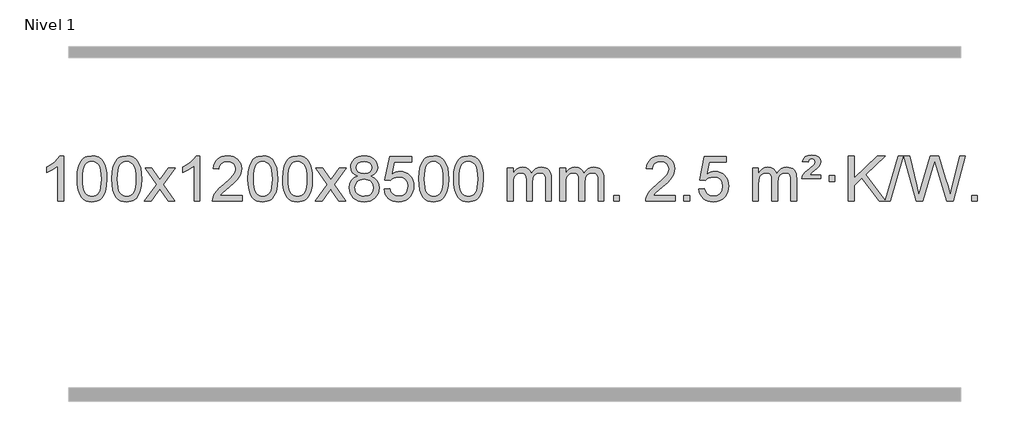
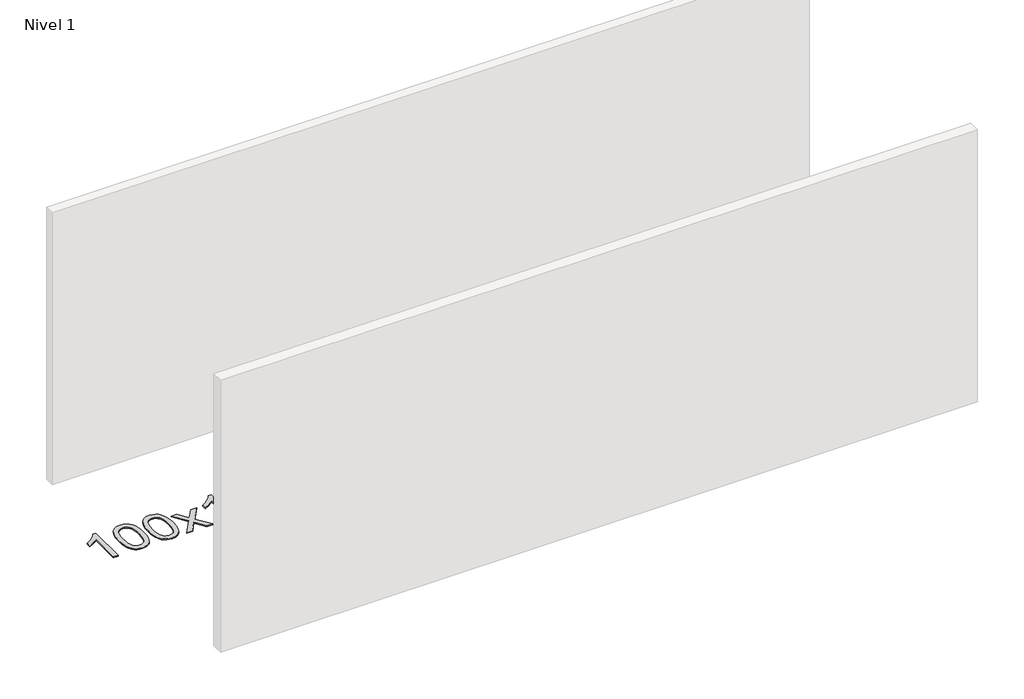
# One storey, part 12 of 14: 1 proxy.
"""IFC4 building model written with IfcOpenShell, lengths in millimetres."""

import ifcopenshell
import ifcopenshell.guid

model = None  # the IFC model being written
_history = None  # IfcOwnerHistory: only IFC2X3 demands one
_inside = {}  # id of a spatial element -> (the spatial element, [elements in it])
_under = {}  # id of a project, library or spatial element -> (it, [spatial elements below it])
_declared = {}  # id of a project -> (the project, [libraries it declares])
_typed = {}  # id of a type object -> (the type object, [elements of that type])
_made_of = {}  # id of a material, layer set ... -> (it, [elements and type objects made of it])


def new_model(schema):
    """Start an empty IFC model of exactly this schema.

    Asked for "IFC4X3", IfcOpenShell would pick the latest addendum, in which some entities
    have other attributes; the version numbers below select the first issue.
    IFC2X3 requires an IfcOwnerHistory on every rooted entity: one is made here for all.
    """
    global model, _history
    if schema == "IFC4X3":
        model = ifcopenshell.file(schema_version=(4, 3, 0, 0))
    else:
        model = ifcopenshell.file(schema=schema)
    _inside.clear()
    _under.clear()
    _declared.clear()
    _typed.clear()
    _made_of.clear()
    _history = None
    if model.schema == "IFC2X3":
        org = make("IfcOrganization", Name="unknown")
        user = make(
            "IfcPersonAndOrganization",
            ThePerson=make("IfcPerson", FamilyName="unknown"),
            TheOrganization=org,
        )
        app = make(
            "IfcApplication",
            ApplicationDeveloper=org,
            Version="unknown",
            ApplicationFullName="unknown",
            ApplicationIdentifier="unknown",
        )
        _history = make(
            "IfcOwnerHistory",
            OwningUser=user,
            OwningApplication=app,
            ChangeAction="ADDED",
            CreationDate=0,
        )
    return model


def make(cls, **values):
    """One entity of the class cls with the attributes given. An attribute that is None is left unset."""
    return model.create_entity(
        cls, **{name: value for name, value in values.items() if value is not None}
    )


def rooted(cls, **values):
    """An entity with a GlobalId (a new one), such as an element, a storey or a relation."""
    return make(cls, GlobalId=ifcopenshell.guid.new(), OwnerHistory=_history, **values)


def si_unit(unit_type, name, prefix=None):
    """IfcSIUnit, for example si_unit("LENGTHUNIT", "METRE", prefix="MILLI")."""
    return make("IfcSIUnit", UnitType=unit_type, Prefix=prefix, Name=name)


def assignment(units):
    """IfcUnitAssignment: the units of a project."""
    return None if units is None else make("IfcUnitAssignment", Units=units)


def point(xyz):
    """IfcCartesianPoint."""
    return None if xyz is None else make("IfcCartesianPoint", Coordinates=xyz)


def direction(xyz):
    """IfcDirection."""
    return None if xyz is None else make("IfcDirection", DirectionRatios=xyz)


def frame(location, z_axis=None, x_axis=None):
    """IfcAxis2Placement3D, a coordinate frame: its origin and axes. An axis left out is left unset."""
    return make(
        "IfcAxis2Placement3D",
        Location=point(location),
        Axis=direction(z_axis),
        RefDirection=direction(x_axis),
    )


def origin():
    """The frame at (0, 0, 0) with its axes left unset."""
    return frame((0.0, 0.0, 0.0))


def origin_with_axes():
    """The frame at (0, 0, 0) with the z axis (0, 0, 1) and the x axis (1, 0, 0) written out."""
    return frame((0.0, 0.0, 0.0), z_axis=(0.0, 0.0, 1.0), x_axis=(1.0, 0.0, 0.0))


def place(relative_to, where):
    """IfcLocalPlacement: puts the frame where relative to a parent placement (None: the world)."""
    return make(
        "IfcLocalPlacement", PlacementRelTo=relative_to, RelativePlacement=where
    )


def context(
    kind, dimensions, precision=None, world=None, true_north=None, identifier=None
):
    """IfcGeometricRepresentationContext, for example the 3D "Model" context."""
    return make(
        "IfcGeometricRepresentationContext",
        ContextIdentifier=identifier,
        ContextType=kind,
        CoordinateSpaceDimension=dimensions,
        Precision=precision,
        WorldCoordinateSystem=world,
        TrueNorth=true_north,
    )


def project(units=None, contexts=None):
    """IfcProject with its units and contexts."""
    return rooted(
        "IfcProject",
        Name="project",
        RepresentationContexts=contexts,
        UnitsInContext=assignment(units),
    )


def spatial(cls, under=None, at=None, **own):
    """A site, building, storey or space (cls), placed at a placement, below another one or the project."""
    s = rooted(cls, ObjectPlacement=at, **own)
    if under is not None:
        _under.setdefault(under.id(), (under, []))[1].append(s)
    return s


def polyline(points):
    """IfcPolyline through the points."""
    return make("IfcPolyline", Points=[point(p) for p in points])


def outline(outer, holes=None, kind="AREA"):
    """IfcArbitraryClosedProfileDef: a profile drawn as a closed curve; with holes, ...WithVoids."""
    if holes is None:
        return make("IfcArbitraryClosedProfileDef", ProfileType=kind, OuterCurve=outer)
    return make(
        "IfcArbitraryProfileDefWithVoids",
        ProfileType=kind,
        OuterCurve=outer,
        InnerCurves=holes,
    )


def extrude(swept, where, along, depth):
    """IfcExtrudedAreaSolid: the profile swept, set in the frame where, extruded along a direction by depth."""
    return make(
        "IfcExtrudedAreaSolid",
        SweptArea=swept,
        Position=where,
        ExtrudedDirection=direction(along),
        Depth=depth,
    )


def shape(context_of_items, identifier, shape_type, items):
    """IfcShapeRepresentation: the items that make up one representation, for example the "Body"."""
    return make(
        "IfcShapeRepresentation",
        ContextOfItems=context_of_items,
        RepresentationIdentifier=identifier,
        RepresentationType=shape_type,
        Items=items,
    )


def made_of(thing, what):
    """Note that an element or type object is made of a material, layer set ...; save() writes the relation."""
    if what is not None:
        _made_of.setdefault(what.id(), (what, []))[1].append(thing)
    return thing


def element(
    cls,
    number,
    at=None,
    inside=None,
    cuts=None,
    type_object=None,
    material=None,
    context=None,
    identifier="Body",
    shape_type=None,
    held_by="IfcProductDefinitionShape",
    body=None,
    shapes=None,
    **own,
):
    """One element of the class cls, such as IfcWall. Its Tag is "e" and its number.

    at: its placement. inside: the storey or other place that contains it. cuts: it is an
    opening in that element (IfcRelVoidsElement). A single representation is given by context,
    identifier, shape_type and body (its items); several are given by shapes. held_by: the class
    of the entity that holds the representations. save() writes the other relations.
    """
    e = rooted(cls, Tag="e%d" % number, ObjectPlacement=at, **own)
    if body is not None:
        shapes = [shape(context, identifier, shape_type, body)]
    if shapes is not None:
        e.Representation = make(held_by, Representations=shapes)
    if inside is not None:
        _inside.setdefault(inside.id(), (inside, []))[1].append(e)
    if cuts is not None:
        rooted(
            "IfcRelVoidsElement", RelatingBuildingElement=cuts, RelatedOpeningElement=e
        )
    if type_object is not None:
        _typed.setdefault(type_object.id(), (type_object, []))[1].append(e)
    return made_of(e, material)


def aggregate(whole, parts):
    """IfcRelAggregates: a whole, such as a stair, and the parts it consists of."""
    return rooted("IfcRelAggregates", RelatingObject=whole, RelatedObjects=parts)


def save(model, path):
    """Write the relations noted so far, then the file.

    IfcRelAggregates (storeys below a building ...), IfcRelContainedInSpatialStructure (elements
    in a storey), IfcRelDefinesByType, IfcRelAssociatesMaterial and IfcRelDeclares: one each for
    every whole, place, type object, material and project.
    """
    for whole, parts in _under.values():
        aggregate(whole, parts)
    for where, things in _inside.values():
        rooted(
            "IfcRelContainedInSpatialStructure",
            RelatedElements=things,
            RelatingStructure=where,
        )
    for kind, things in _typed.values():
        rooted("IfcRelDefinesByType", RelatedObjects=things, RelatingType=kind)
    for what, things in _made_of.values():
        rooted("IfcRelAssociatesMaterial", RelatedObjects=things, RelatingMaterial=what)
    for by, libraries in _declared.values():
        rooted("IfcRelDeclares", RelatingContext=by, RelatedDefinitions=libraries)
    model.write(path)


model = new_model("IFC4")

# Units and contexts
model_context = context("Model", 3, world=origin())
ifc_project = project(units=[si_unit("LENGTHUNIT", "METRE", prefix="MILLI")], contexts=[model_context])

# Site, building, storey
site = spatial("IfcSite", under=ifc_project)
building = spatial("IfcBuilding", under=site)
storey = spatial("IfcBuildingStorey", under=building, Name="Nivel 1", Elevation=0.0)

# Proxy
placement = place(None, origin())
element("IfcBuildingElementProxy", 1, Name="Texto de modelo 1", ObjectType="Texto de modelo 1", at=placement, inside=storey, context=model_context, shape_type="SweptSolid", body=[
    extrude(outline(polyline([(-275.4615788, -3395.579453), (-325.6897338, -3395.579453), (-325.6897338, -3082.4382987), (-346.6590076, -3099.3976587), (-373.2691385, -3116.3324932), (-426.146044, -3141.6918254), (-426.146044, -3094.2105225), (-386.6968314, -3072.7507395), (-352.520594, -3047.219729), (-325.5793692, -3020.0700378), (-307.8351943, -2993.7542124), (-275.4615788, -2993.7542124), (-275.4615788, -3395.579453)])), origin_with_axes(), (0.0, 0.0, 1.0), 10.0),
    extrude(outline(polyline([(-156.1697105, -3197.9041943), (-152.4786278, -3133.5861588), (-141.4053797, -3082.2911459), (-123.0603309, -3043.2343407), (-111.2022679, -3028.0009605), (-97.5538459, -3015.6309284), (-82.0690796, -3006.0598651), (-64.7019837, -2999.2233914), (-24.3208034, -2993.7542124), (6.6303351, -2996.991574), (34.3441121, -3006.7036586), (57.5206778, -3022.5103217), (74.8601825, -3044.0314184), (87.9567815, -3071.0830078), (98.4046302, -3103.4811488), (105.2472353, -3144.6226186), (107.5281037, -3197.9041943), (103.8738092, -3261.8543477), (92.9109257, -3313.0267333), (74.6762415, -3352.1203266), (62.8457697, -3367.3996922), (49.2065447, -3379.8341036), (33.7033843, -3389.4695462), (16.2811061, -3396.3520052), (-24.3208034, -3401.8579724), (-51.9855294, -3399.4667394), (-76.5109958, -3392.2930405), (-97.8972024, -3380.3368757), (-116.1441494, -3363.5982449), (-133.6553324, -3333.3399508), (-146.1633202, -3295.6381776), (-153.6681129, -3250.4929255), (-156.1697105, -3197.9041943)]), holes=[polyline([(-105.9415554, -3197.8060924), (-104.4700274, -3241.4706195), (-100.0554435, -3276.8148822), (-92.6978036, -3303.8388804), (-82.3971077, -3322.5426142), (-69.9381708, -3335.2682656), (-56.1058078, -3344.3580165), (-40.9000186, -3349.8118671), (-24.3208034, -3351.6298173), (-7.7415881, -3349.8057357), (7.464201, -3344.3334911), (21.296564, -3335.2130833), (33.7555009, -3322.4445124), (44.0561968, -3303.7101217), (51.4138367, -3276.6922549), (55.8284206, -3241.3909118), (57.2999486, -3197.8060924), (55.8774716, -3155.2973278), (51.6100404, -3120.5753989), (44.4976552, -3093.6403055), (34.5403158, -3074.4920476), (22.2898454, -3061.1440625), (8.2980668, -3051.6097875), (-7.4350198, -3045.8892225), (-24.9094146, -3043.9823675), (-41.4027907, -3045.6623619), (-56.3510624, -3050.7023452), (-69.7542298, -3059.1023175), (-81.6122928, -3070.8622786), (-92.2563452, -3091.708925), (-99.8592397, -3119.8151094), (-104.4209765, -3155.1808319), (-105.9415554, -3197.8060924)])]), origin_with_axes(), (0.0, 0.0, 1.0), 10.0),
    extrude(outline(polyline([(151.4777394, -3197.9041943), (155.1688221, -3133.5861588), (166.2420701, -3082.2911459), (184.5871189, -3043.2343407), (196.4451819, -3028.0009605), (210.0936039, -3015.6309284), (225.5783702, -3006.0598651), (242.9454661, -2999.2233914), (283.3266464, -2993.7542124), (314.277785, -2996.991574), (341.9915619, -3006.7036586), (365.1681276, -3022.5103217), (382.5076323, -3044.0314184), (395.6042314, -3071.0830078), (406.05208, -3103.4811488), (412.8946851, -3144.6226186), (415.1755535, -3197.9041943), (411.521259, -3261.8543477), (400.5583756, -3313.0267333), (382.3236913, -3352.1203266), (370.4932195, -3367.3996922), (356.8539945, -3379.8341036), (341.3508341, -3389.4695462), (323.928556, -3396.3520052), (283.3266464, -3401.8579724), (255.6619204, -3399.4667394), (231.1364541, -3392.2930405), (209.7502474, -3380.3368757), (191.5033004, -3363.5982449), (173.9921175, -3333.3399508), (161.4841296, -3295.6381776), (153.9793369, -3250.4929255), (151.4777394, -3197.9041943)]), holes=[polyline([(201.7058944, -3197.8060924), (203.1774224, -3241.4706195), (207.5920064, -3276.8148822), (214.9496463, -3303.8388804), (225.2503421, -3322.5426142), (237.709279, -3335.2682656), (251.5416421, -3344.3580165), (266.7474312, -3349.8118671), (283.3266464, -3351.6298173), (299.9058617, -3349.8057357), (315.1116508, -3344.3334911), (328.9440138, -3335.2130833), (341.4029507, -3322.4445124), (351.7036466, -3303.7101217), (359.0612865, -3276.6922549), (363.4758705, -3241.3909118), (364.9473984, -3197.8060924), (363.5249214, -3155.2973278), (359.2574902, -3120.5753989), (352.145105, -3093.6403055), (342.1877657, -3074.4920476), (329.9372952, -3061.1440625), (315.9455167, -3051.6097875), (300.21243, -3045.8892225), (282.7380352, -3043.9823675), (266.2446591, -3045.6623619), (251.2963874, -3050.7023452), (237.89322, -3059.1023175), (226.0351571, -3070.8622786), (215.3911047, -3091.708925), (207.7882101, -3119.8151094), (203.2264734, -3155.1808319), (201.7058944, -3197.8060924)])]), origin_with_axes(), (0.0, 0.0, 1.0), 10.0),
    extrude(outline(polyline([(440.2896311, -3395.579453), (547.6130718, -3247.2494325), (446.5681504, -3100.4890419), (506.9988995, -3100.4890419), (555.7555266, -3171.122385), (578.5151594, -3204.4770192), (598.2336343, -3177.2047007), (653.7592901, -3100.4890419), (714.1900392, -3100.4890419), (608.0438209, -3247.2494325), (710.2659646, -3395.579453), (649.8352155, -3395.579453), (588.3253459, -3306.4048574), (577.0436314, -3290.1199477), (500.7203801, -3395.579453), (440.2896311, -3395.579453)])), origin_with_axes(), (0.0, 0.0, 1.0), 10.0),
    extrude(outline(polyline([(930.014143, -3395.579453), (879.785988, -3395.579453), (879.785988, -3082.4382987), (858.8167142, -3099.3976587), (832.2065832, -3116.3324932), (779.3296778, -3141.6918254), (779.3296778, -3094.2105225), (818.7788904, -3072.7507395), (852.9551278, -3047.219729), (879.8963526, -3020.0700378), (897.6405275, -2993.7542124), (930.014143, -2993.7542124), (930.014143, -3395.579453)])), origin_with_axes(), (0.0, 0.0, 1.0), 10.0),
    extrude(outline(polyline([(1306.7253061, -3345.3512979), (1306.7253061, -3395.579453), (1043.0274919, -3395.579453), (1044.1311379, -3377.8965918), (1048.4230945, -3360.9494945), (1060.808455, -3333.8856424), (1078.9327747, -3307.6311307), (1105.1504982, -3280.1503456), (1141.8160704, -3249.4076736), (1196.017351, -3201.2641831), (1228.5381194, -3165.7267824), (1244.7985036, -3136.884834), (1250.2186316, -3108.8277005), (1245.1050719, -3083.6768347), (1229.7643927, -3062.7688747), (1206.1831568, -3048.6789943), (1176.347927, -3043.9823675), (1145.0166437, -3048.5686297), (1120.6751184, -3062.3274163), (1104.9665572, -3084.1796068), (1099.5341664, -3113.0460807), (1049.3060113, -3106.7675613), (1053.6255591, -3080.838012), (1061.4829054, -3058.1826125), (1072.8780502, -3038.8013627), (1087.8109935, -3022.6942627), (1105.9383788, -3010.0329907), (1126.9168496, -3000.989225), (1150.7464058, -2995.5629655), (1177.4270475, -2993.7542124), (1204.3468125, -2995.7653006), (1228.3051275, -3001.7985654), (1249.3019923, -3011.8540066), (1267.3374071, -3025.9316242), (1281.8227607, -3042.9890861), (1292.1694418, -3061.9840598), (1298.3774505, -3082.9165453), (1300.4467867, -3105.7865427), (1298.2149693, -3129.8092369), (1291.519517, -3153.4149983), (1279.6369285, -3177.4254299), (1261.8437027, -3202.6621347), (1233.4800009, -3232.7916701), (1189.8859844, -3271.4805933), (1132.1039857, -3319.795762), (1109.4424548, -3345.3512979), (1306.7253061, -3345.3512979)])), origin_with_axes(), (0.0, 0.0, 1.0), 10.0),
    extrude(outline(polyline([(1356.9534612, -3197.9041943), (1360.6445439, -3133.5861588), (1371.7177919, -3082.2911459), (1390.0628407, -3043.2343407), (1401.9209037, -3028.0009605), (1415.5693257, -3015.6309284), (1431.054092, -3006.0598651), (1448.4211879, -2999.2233914), (1488.8023682, -2993.7542124), (1519.7535068, -2996.991574), (1547.4672837, -3006.7036586), (1570.6438494, -3022.5103217), (1587.9833541, -3044.0314184), (1601.0799532, -3071.0830078), (1611.5278018, -3103.4811488), (1618.3704069, -3144.6226186), (1620.6512753, -3197.9041943), (1616.9969808, -3261.8543477), (1606.0340974, -3313.0267333), (1587.7994131, -3352.1203266), (1575.9689413, -3367.3996922), (1562.3297163, -3379.8341036), (1546.8265559, -3389.4695462), (1529.4042778, -3396.3520052), (1488.8023682, -3401.8579724), (1461.1376422, -3399.4667394), (1436.6121759, -3392.2930405), (1415.2259692, -3380.3368757), (1396.9790222, -3363.5982449), (1379.4678393, -3333.3399508), (1366.9598514, -3295.6381776), (1359.4550587, -3250.4929255), (1356.9534612, -3197.9041943)]), holes=[polyline([(1407.1816162, -3197.8060924), (1408.6531442, -3241.4706195), (1413.0677282, -3276.8148822), (1420.4253681, -3303.8388804), (1430.7260639, -3322.5426142), (1443.1850008, -3335.2682656), (1457.0173639, -3344.3580165), (1472.223153, -3349.8118671), (1488.8023682, -3351.6298173), (1505.3815835, -3349.8057357), (1520.5873726, -3344.3334911), (1534.4197356, -3335.2130833), (1546.8786725, -3322.4445124), (1557.1793684, -3303.7101217), (1564.5370083, -3276.6922549), (1568.9515923, -3241.3909118), (1570.4231202, -3197.8060924), (1569.0006432, -3155.2973278), (1564.733212, -3120.5753989), (1557.6208268, -3093.6403055), (1547.6634875, -3074.4920476), (1535.413017, -3061.1440625), (1521.4212385, -3051.6097875), (1505.6881518, -3045.8892225), (1488.213757, -3043.9823675), (1471.7203809, -3045.6623619), (1456.7721092, -3050.7023452), (1443.3689418, -3059.1023175), (1431.5108789, -3070.8622786), (1420.8668265, -3091.708925), (1413.2639319, -3119.8151094), (1408.7021952, -3155.1808319), (1407.1816162, -3197.8060924)])]), origin_with_axes(), (0.0, 0.0, 1.0), 10.0),
    extrude(outline(polyline([(1664.600911, -3197.9041943), (1668.2919937, -3133.5861588), (1679.3652417, -3082.2911459), (1697.7102906, -3043.2343407), (1709.5683535, -3028.0009605), (1723.2167756, -3015.6309284), (1738.7015419, -3006.0598651), (1756.0686377, -2999.2233914), (1796.4498181, -2993.7542124), (1827.4009566, -2996.991574), (1855.1147336, -3006.7036586), (1878.2912993, -3022.5103217), (1895.630804, -3044.0314184), (1908.727403, -3071.0830078), (1919.1752517, -3103.4811488), (1926.0178568, -3144.6226186), (1928.2987251, -3197.9041943), (1924.6444307, -3261.8543477), (1913.6815472, -3313.0267333), (1895.446863, -3352.1203266), (1883.6163911, -3367.3996922), (1869.9771662, -3379.8341036), (1854.4740058, -3389.4695462), (1837.0517276, -3396.3520052), (1796.4498181, -3401.8579724), (1768.785092, -3399.4667394), (1744.2596257, -3392.2930405), (1722.873419, -3380.3368757), (1704.6264721, -3363.5982449), (1687.1152891, -3333.3399508), (1674.6073013, -3295.6381776), (1667.1025086, -3250.4929255), (1664.600911, -3197.9041943)]), holes=[polyline([(1714.8290661, -3197.8060924), (1716.3005941, -3241.4706195), (1720.715178, -3276.8148822), (1728.0728179, -3303.8388804), (1738.3735138, -3322.5426142), (1750.8324507, -3335.2682656), (1764.6648137, -3344.3580165), (1779.8706028, -3349.8118671), (1796.4498181, -3351.6298173), (1813.0290333, -3349.8057357), (1828.2348225, -3344.3334911), (1842.0671855, -3335.2130833), (1854.5261224, -3322.4445124), (1864.8268182, -3303.7101217), (1872.1844581, -3276.6922549), (1876.5990421, -3241.3909118), (1878.0705701, -3197.8060924), (1876.648093, -3155.2973278), (1872.3806619, -3120.5753989), (1865.2682766, -3093.6403055), (1855.3109373, -3074.4920476), (1843.0604669, -3061.1440625), (1829.0686883, -3051.6097875), (1813.3356016, -3045.8892225), (1795.8612069, -3043.9823675), (1779.3678308, -3045.6623619), (1764.419559, -3050.7023452), (1751.0163917, -3059.1023175), (1739.1583287, -3070.8622786), (1728.5142763, -3091.708925), (1720.9113817, -3119.8151094), (1716.349645, -3155.1808319), (1714.8290661, -3197.8060924)])]), origin_with_axes(), (0.0, 0.0, 1.0), 10.0),
    extrude(outline(polyline([(1953.4128027, -3395.579453), (2060.7362434, -3247.2494325), (1959.6913221, -3100.4890419), (2020.1220711, -3100.4890419), (2068.8786982, -3171.122385), (2091.638331, -3204.4770192), (2111.3568059, -3177.2047007), (2166.8824617, -3100.4890419), (2227.3132108, -3100.4890419), (2121.1669925, -3247.2494325), (2223.3891362, -3395.579453), (2162.9583871, -3395.579453), (2101.4485175, -3306.4048574), (2090.166803, -3290.1199477), (2013.8435518, -3395.579453), (1953.4128027, -3395.579453)])), origin_with_axes(), (0.0, 0.0, 1.0), 10.0),
    extrude(outline(polyline([(2327.9657247, -3174.2616447), (2301.0735509, -3161.0178929), (2282.2012045, -3143.0652515), (2271.05438, -3120.7716026), (2267.3387719, -3094.5048281), (2269.3621229, -3074.0199324), (2275.4321758, -3055.2395565), (2285.5489307, -3038.1637006), (2299.7123875, -3022.7923645), (2317.2419645, -3010.088173), (2337.4570802, -3001.0137504), (2360.3577344, -2995.5690969), (2385.9439271, -2993.7542124), (2411.6527472, -2995.6120165), (2434.7250797, -3001.1854287), (2455.1609245, -3010.4744491), (2472.9602817, -3023.4790776), (2487.3812559, -3039.1508506), (2497.6819518, -3056.4413044), (2503.8623693, -3075.3504389), (2505.9225085, -3095.8782543), (2502.2559513, -3121.2989001), (2491.2562796, -3143.2124043), (2472.8008662, -3161.0546811), (2446.7670837, -3174.2616447), (2477.681434, -3190.1909351), (2500.1835494, -3213.6495436), (2513.9055478, -3243.5092989), (2518.4795473, -3278.6420295), (2516.2109416, -3303.6947933), (2509.4051247, -3326.6628926), (2498.0620965, -3347.5463272), (2482.1818571, -3366.3450971), (2462.5982722, -3381.88198), (2440.1452078, -3392.9797536), (2414.8226638, -3399.6384177), (2386.6306402, -3401.8579724), (2358.4386166, -3399.6292206), (2333.1160726, -3392.9429654), (2310.6630082, -3381.7992066), (2291.0794233, -3366.1979443), (2275.1991839, -3347.26735), (2263.8561557, -3326.135595), (2257.0503388, -3302.8026795), (2254.7817331, -3277.2686033), (2259.5396736, -3240.7747094), (2273.813495, -3210.7555386), (2296.8674334, -3188.2411605), (2327.9657247, -3174.2616447)]), holes=[polyline([(2317.566927, -3095.9763561), (2322.0182991, -3117.902123), (2335.3724155, -3135.413306), (2357.2368688, -3146.8912243), (2387.2192514, -3150.717197), (2416.5026582, -3146.9157497), (2438.0360177, -3135.5114079), (2451.2797695, -3118.5888361), (2455.6943534, -3098.232699), (2451.1326167, -3077.1040098), (2437.4474065, -3059.629615), (2415.6197414, -3047.8941794), (2386.6306402, -3043.9823675), (2357.457598, -3047.8083402), (2335.6667211, -3059.2862585), (2322.0918755, -3076.1107284), (2317.566927, -3095.9763561)]), polyline([(2305.0098882, -3275.5027698), (2307.1068156, -3294.7184726), (2313.3975977, -3313.3210389), (2325.010406, -3329.5446349), (2343.073412, -3341.623427), (2364.7048733, -3349.1282197), (2387.0230477, -3351.6298173), (2421.2115477, -3346.3691048), (2435.1052244, -3339.7932141), (2446.8651855, -3330.5869672), (2462.9048405, -3306.6869002), (2468.2513922, -3277.0723996), (2462.7331623, -3246.9551269), (2446.1784725, -3222.5277625), (2434.0996803, -3213.0854579), (2419.9362235, -3206.3409547), (2385.3553159, -3200.9453521), (2351.6450625, -3206.2673783), (2337.9077356, -3212.919911), (2326.2489421, -3222.2334569), (2310.3196517, -3246.1948375), (2305.0098882, -3275.5027698)])]), origin_with_axes(), (0.0, 0.0, 1.0), 10.0),
    extrude(outline(polyline([(2562.429183, -3288.8446235), (2612.657338, -3282.5661041), (2621.8789134, -3312.7201649), (2637.9676193, -3334.3148381), (2660.8498794, -3347.3010725), (2690.4521173, -3351.6298173), (2709.581981, -3350.1245668), (2726.4555019, -3345.6088153), (2741.0726798, -3338.0825628), (2753.4335149, -3327.5458094), (2763.2620955, -3314.519721), (2770.2825102, -3299.5254641), (2775.898842, -3263.6324441), (2770.6381295, -3229.8363514), (2764.0622388, -3215.9181493), (2754.8559919, -3203.9865099), (2742.9887319, -3194.4154467), (2728.4298019, -3187.5789729), (2691.2369322, -3182.1097939), (2666.8708814, -3184.2925604), (2647.1401437, -3190.8408599), (2631.3825316, -3200.8717757), (2618.9358574, -3213.5023908), (2568.7077023, -3207.2238715), (2612.657338, -3000.0327318), (2807.291439, -3000.0327318), (2807.291439, -3050.2608869), (2653.2715103, -3050.2608869), (2631.7872018, -3160.919791), (2649.5129826, -3148.2155994), (2667.667959, -3139.1411769), (2686.2521312, -3133.6965234), (2705.265499, -3131.8816388), (2729.726586, -3134.1318504), (2752.1949788, -3140.882485), (2772.6706775, -3152.1335427), (2791.1536821, -3167.8850234), (2806.4545074, -3187.1743027), (2817.3836684, -3209.038756), (2823.9411649, -3233.4783832), (2826.1269971, -3260.4931844), (2824.1588284, -3286.5147042), (2818.2543224, -3310.7213394), (2808.413479, -3333.1130902), (2794.6362983, -3353.6899565), (2773.7651265, -3374.7634634), (2749.4113384, -3389.8159684), (2721.5749341, -3398.8474714), (2690.2559136, -3401.8579724), (2664.3355613, -3399.9235262), (2640.922938, -3394.1201877), (2620.0180436, -3384.447957), (2601.6208782, -3370.9068338), (2586.3139215, -3354.1712688), (2574.6796534, -3334.915712), (2566.7180739, -3313.1401636), (2562.429183, -3288.8446235)])), origin_with_axes(), (0.0, 0.0, 1.0), 10.0),
    extrude(outline(polyline([(2870.0766328, -3197.9041943), (2873.7677155, -3133.5861588), (2884.8409635, -3082.2911459), (2903.1860124, -3043.2343407), (2915.0440753, -3028.0009605), (2928.6924974, -3015.6309284), (2944.1772637, -3006.0598651), (2961.5443595, -2999.2233914), (3001.9255399, -2993.7542124), (3032.8766784, -2996.991574), (3060.5904554, -3006.7036586), (3083.7670211, -3022.5103217), (3101.1065258, -3044.0314184), (3114.2031248, -3071.0830078), (3124.6509735, -3103.4811488), (3131.4935786, -3144.6226186), (3133.7744469, -3197.9041943), (3130.1201525, -3261.8543477), (3119.157269, -3313.0267333), (3100.9225848, -3352.1203266), (3089.0921129, -3367.3996922), (3075.452888, -3379.8341036), (3059.9497276, -3389.4695462), (3042.5274494, -3396.3520052), (3001.9255399, -3401.8579724), (2974.2608138, -3399.4667394), (2949.7353475, -3392.2930405), (2928.3491408, -3380.3368757), (2910.1021939, -3363.5982449), (2892.5910109, -3333.3399508), (2880.0830231, -3295.6381776), (2872.5782304, -3250.4929255), (2870.0766328, -3197.9041943)]), holes=[polyline([(2920.3047879, -3197.8060924), (2921.7763158, -3241.4706195), (2926.1908998, -3276.8148822), (2933.5485397, -3303.8388804), (2943.8492356, -3322.5426142), (2956.3081725, -3335.2682656), (2970.1405355, -3344.3580165), (2985.3463246, -3349.8118671), (3001.9255399, -3351.6298173), (3018.5047551, -3349.8057357), (3033.7105442, -3344.3334911), (3047.5429073, -3335.2130833), (3060.0018442, -3322.4445124), (3070.30254, -3303.7101217), (3077.6601799, -3276.6922549), (3082.0747639, -3241.3909118), (3083.5462919, -3197.8060924), (3082.1238148, -3155.2973278), (3077.8563837, -3120.5753989), (3070.7439984, -3093.6403055), (3060.7866591, -3074.4920476), (3048.5361887, -3061.1440625), (3034.5444101, -3051.6097875), (3018.8113234, -3045.8892225), (3001.3369287, -3043.9823675), (2984.8435526, -3045.6623619), (2969.8952808, -3050.7023452), (2956.4921135, -3059.1023175), (2944.6340505, -3070.8622786), (2933.9899981, -3091.708925), (2926.3871035, -3119.8151094), (2921.8253668, -3155.1808319), (2920.3047879, -3197.8060924)])]), origin_with_axes(), (0.0, 0.0, 1.0), 10.0),
    extrude(outline(polyline([(3177.7240826, -3197.9041943), (3181.4151653, -3133.5861588), (3192.4884134, -3082.2911459), (3210.8334622, -3043.2343407), (3222.6915252, -3028.0009605), (3236.3399472, -3015.6309284), (3251.8247135, -3006.0598651), (3269.1918094, -2999.2233914), (3309.5729897, -2993.7542124), (3340.5241282, -2996.991574), (3368.2379052, -3006.7036586), (3391.4144709, -3022.5103217), (3408.7539756, -3044.0314184), (3421.8505746, -3071.0830078), (3432.2984233, -3103.4811488), (3439.1410284, -3144.6226186), (3441.4218968, -3197.9041943), (3437.7676023, -3261.8543477), (3426.8047188, -3313.0267333), (3408.5700346, -3352.1203266), (3396.7395628, -3367.3996922), (3383.1003378, -3379.8341036), (3367.5971774, -3389.4695462), (3350.1748992, -3396.3520052), (3309.5729897, -3401.8579724), (3281.9082637, -3399.4667394), (3257.3827973, -3392.2930405), (3235.9965907, -3380.3368757), (3217.7496437, -3363.5982449), (3200.2384607, -3333.3399508), (3187.7304729, -3295.6381776), (3180.2256802, -3250.4929255), (3177.7240826, -3197.9041943)]), holes=[polyline([(3227.9522377, -3197.8060924), (3229.4237657, -3241.4706195), (3233.8383496, -3276.8148822), (3241.1959895, -3303.8388804), (3251.4966854, -3322.5426142), (3263.9556223, -3335.2682656), (3277.7879853, -3344.3580165), (3292.9937744, -3349.8118671), (3309.5729897, -3351.6298173), (3326.1522049, -3349.8057357), (3341.3579941, -3344.3334911), (3355.1903571, -3335.2130833), (3367.649294, -3322.4445124), (3377.9499899, -3303.7101217), (3385.3076298, -3276.6922549), (3389.7222137, -3241.3909118), (3391.1937417, -3197.8060924), (3389.7712646, -3155.2973278), (3385.5038335, -3120.5753989), (3378.3914483, -3093.6403055), (3368.4341089, -3074.4920476), (3356.1836385, -3061.1440625), (3342.1918599, -3051.6097875), (3326.4587733, -3045.8892225), (3308.9843785, -3043.9823675), (3292.4910024, -3045.6623619), (3277.5427307, -3050.7023452), (3264.1395633, -3059.1023175), (3252.2815003, -3070.8622786), (3241.6374479, -3091.708925), (3234.0345534, -3119.8151094), (3229.4728166, -3155.1808319), (3227.9522377, -3197.8060924)])]), origin_with_axes(), (0.0, 0.0, 1.0), 10.0),
    extrude(outline(polyline([(3654.8915558, -3395.579453), (3654.8915558, -3100.4890419), (3705.1197109, -3100.4890419), (3705.1197109, -3149.0494653), (3720.2273982, -3126.7435537), (3739.6515675, -3109.2691589), (3762.7300314, -3097.9751816), (3788.8006021, -3094.2105225), (3816.7351082, -3098.048758), (3839.126859, -3109.5634645), (3855.8532271, -3127.9943524), (3866.7915851, -3152.5811324), (3885.0998457, -3127.0439906), (3905.9832803, -3108.803175), (3929.4418888, -3097.8586857), (3955.4756714, -3094.2105225), (3975.5834881, -3095.7280358), (3993.2326268, -3100.2805755), (4008.4230875, -3107.8681416), (4021.1548702, -3118.4907342), (4031.2195085, -3132.2709806), (4038.4085358, -3149.3315082), (4042.7219522, -3169.6723168), (4044.1597577, -3193.2934066), (4044.1597577, -3395.579453), (3993.9316026, -3395.579453), (3993.9316026, -3214.875817), (3992.7666429, -3189.8230531), (3989.271764, -3172.9372695), (3982.7234645, -3161.3735121), (3972.3982431, -3152.2868268), (3959.1177031, -3146.4007149), (3943.7034475, -3144.4386776), (3916.4924426, -3149.4663982), (3894.3091583, -3164.54956), (3885.7037853, -3176.1194488), (3879.5570903, -3190.7182326), (3874.6397343, -3229.0024856), (3874.6397343, -3395.579453), (3824.4115792, -3395.579453), (3824.4115792, -3209.2840106), (3821.5053115, -3180.8835206), (3812.7865082, -3160.6254854), (3797.445829, -3148.4853796), (3774.6739335, -3144.4386776), (3755.3233405, -3147.1364789), (3737.4933265, -3155.2298828), (3722.7780467, -3168.5226856), (3712.7716564, -3186.8186835), (3707.0326973, -3212.2025411), (3705.1197109, -3246.7589232), (3705.1197109, -3395.579453), (3654.8915558, -3395.579453)])), origin_with_axes(), (0.0, 0.0, 1.0), 10.0),
    extrude(outline(polyline([(4119.5019903, -3395.579453), (4119.5019903, -3100.4890419), (4169.7301454, -3100.4890419), (4169.7301454, -3149.0494653), (4184.8378326, -3126.7435537), (4204.262002, -3109.2691589), (4227.3404658, -3097.9751816), (4253.4110365, -3094.2105225), (4281.3455427, -3098.048758), (4303.7372935, -3109.5634645), (4320.4636615, -3127.9943524), (4331.4020195, -3152.5811324), (4349.7102801, -3127.0439906), (4370.5937147, -3108.803175), (4394.0523233, -3097.8586857), (4420.0861058, -3094.2105225), (4440.1939225, -3095.7280358), (4457.8430612, -3100.2805755), (4473.033522, -3107.8681416), (4485.7653047, -3118.4907342), (4495.8299429, -3132.2709806), (4503.0189703, -3149.3315082), (4507.3323866, -3169.6723168), (4508.7701921, -3193.2934066), (4508.7701921, -3395.579453), (4458.542037, -3395.579453), (4458.542037, -3214.875817), (4457.3770774, -3189.8230531), (4453.8821984, -3172.9372695), (4447.3338989, -3161.3735121), (4437.0086776, -3152.2868268), (4423.7281376, -3146.4007149), (4408.313882, -3144.4386776), (4381.1028771, -3149.4663982), (4358.9195927, -3164.54956), (4350.3142197, -3176.1194488), (4344.1675247, -3190.7182326), (4339.2501687, -3229.0024856), (4339.2501687, -3395.579453), (4289.0220137, -3395.579453), (4289.0220137, -3209.2840106), (4286.1157459, -3180.8835206), (4277.3969426, -3160.6254854), (4262.0562634, -3148.4853796), (4239.2843679, -3144.4386776), (4219.933775, -3147.1364789), (4202.1037609, -3155.2298828), (4187.3884811, -3168.5226856), (4177.3820909, -3186.8186835), (4171.6431317, -3212.2025411), (4169.7301454, -3246.7589232), (4169.7301454, -3395.579453), (4119.5019903, -3395.579453)])), origin_with_axes(), (0.0, 0.0, 1.0), 10.0),
    extrude(outline(polyline([(4596.6694635, -3395.579453), (4596.6694635, -3345.3512979), (4646.8976186, -3345.3512979), (4646.8976186, -3395.579453), (4596.6694635, -3395.579453)])), origin_with_axes(), (0.0, 0.0, 1.0), 10.0),
    extrude(outline(polyline([(5142.9006499, -3345.3512979), (5142.9006499, -3395.579453), (4879.2028358, -3395.579453), (4880.3064818, -3377.8965918), (4884.5984384, -3360.9494945), (4896.9837989, -3333.8856424), (4915.1081185, -3307.6311307), (4941.325842, -3280.1503456), (4977.9914142, -3249.4076736), (5032.1926948, -3201.2641831), (5064.7134632, -3165.7267824), (5080.9738474, -3136.884834), (5086.3939755, -3108.8277005), (5081.2804157, -3083.6768347), (5065.9397365, -3062.7688747), (5042.3585006, -3048.6789943), (5012.5232708, -3043.9823675), (4981.1919876, -3048.5686297), (4956.8504622, -3062.3274163), (4941.141901, -3084.1796068), (4935.7095102, -3113.0460807), (4885.4813552, -3106.7675613), (4889.8009029, -3080.838012), (4897.6582492, -3058.1826125), (4909.053394, -3038.8013627), (4923.9863373, -3022.6942627), (4942.1137226, -3010.0329907), (4963.0921934, -3000.989225), (4986.9217497, -2995.5629655), (5013.6023914, -2993.7542124), (5040.5221564, -2995.7653006), (5064.4804713, -3001.7985654), (5085.4773362, -3011.8540066), (5103.512751, -3025.9316242), (5117.9981045, -3042.9890861), (5128.3447857, -3061.9840598), (5134.5527943, -3082.9165453), (5136.6221305, -3105.7865427), (5134.3903131, -3129.8092369), (5127.6948608, -3153.4149983), (5115.8122724, -3177.4254299), (5098.0190465, -3202.6621347), (5069.6553447, -3232.7916701), (5026.0613283, -3271.4805933), (4968.2793296, -3319.795762), (4945.6177986, -3345.3512979), (5142.9006499, -3345.3512979)])), origin_with_axes(), (0.0, 0.0, 1.0), 10.0),
    extrude(outline(polyline([(5218.2428825, -3395.579453), (5218.2428825, -3345.3512979), (5268.4710376, -3345.3512979), (5268.4710376, -3395.579453), (5218.2428825, -3395.579453)])), origin_with_axes(), (0.0, 0.0, 1.0), 10.0),
    extrude(outline(polyline([(5350.0917896, -3288.8446235), (5400.3199447, -3282.5661041), (5409.54152, -3312.7201649), (5425.630226, -3334.3148381), (5448.5124861, -3347.3010725), (5478.1147239, -3351.6298173), (5497.2445877, -3350.1245668), (5514.1181085, -3345.6088153), (5528.7352865, -3338.0825628), (5541.0961215, -3327.5458094), (5550.9247021, -3314.519721), (5557.9451169, -3299.5254641), (5563.5614487, -3263.6324441), (5558.3007361, -3229.8363514), (5551.7248455, -3215.9181493), (5542.5185986, -3203.9865099), (5530.6513385, -3194.4154467), (5516.0924086, -3187.5789729), (5478.8995389, -3182.1097939), (5454.533488, -3184.2925604), (5434.8027504, -3190.8408599), (5419.0451382, -3200.8717757), (5406.5984641, -3213.5023908), (5356.370309, -3207.2238715), (5400.3199447, -3000.0327318), (5594.9540456, -3000.0327318), (5594.9540456, -3050.2608869), (5440.934117, -3050.2608869), (5419.4498084, -3160.919791), (5437.1755892, -3148.2155994), (5455.3305657, -3139.1411769), (5473.9147378, -3133.6965234), (5492.9281056, -3131.8816388), (5517.3891926, -3134.1318504), (5539.8575855, -3140.882485), (5560.3332842, -3152.1335427), (5578.8162887, -3167.8850234), (5594.1171141, -3187.1743027), (5605.046275, -3209.038756), (5611.6037716, -3233.4783832), (5613.7896038, -3260.4931844), (5611.8214351, -3286.5147042), (5605.9169291, -3310.7213394), (5596.0760857, -3333.1130902), (5582.298905, -3353.6899565), (5561.4277331, -3374.7634634), (5537.073945, -3389.8159684), (5509.2375407, -3398.8474714), (5477.9185202, -3401.8579724), (5451.998168, -3399.9235262), (5428.5855447, -3394.1201877), (5407.6806503, -3384.447957), (5389.2834848, -3370.9068338), (5373.9765281, -3354.1712688), (5362.3422601, -3334.915712), (5354.3806805, -3313.1401636), (5350.0917896, -3288.8446235)])), origin_with_axes(), (0.0, 0.0, 1.0), 10.0),
    extrude(outline(polyline([(5827.2592628, -3395.579453), (5827.2592628, -3100.4890419), (5877.4874179, -3100.4890419), (5877.4874179, -3149.0494653), (5892.5951052, -3126.7435537), (5912.0192745, -3109.2691589), (5935.0977383, -3097.9751816), (5961.1683091, -3094.2105225), (5989.1028152, -3098.048758), (6011.494566, -3109.5634645), (6028.2209341, -3127.9943524), (6039.159292, -3152.5811324), (6057.4675527, -3127.0439906), (6078.3509873, -3108.803175), (6101.8095958, -3097.8586857), (6127.8433783, -3094.2105225), (6147.9511951, -3095.7280358), (6165.6003338, -3100.2805755), (6180.7907945, -3107.8681416), (6193.5225772, -3118.4907342), (6203.5872155, -3132.2709806), (6210.7762428, -3149.3315082), (6215.0896592, -3169.6723168), (6216.5274647, -3193.2934066), (6216.5274647, -3395.579453), (6166.2993096, -3395.579453), (6166.2993096, -3214.875817), (6165.1343499, -3189.8230531), (6161.639471, -3172.9372695), (6155.0911715, -3161.3735121), (6144.7659501, -3152.2868268), (6131.4854101, -3146.4007149), (6116.0711545, -3144.4386776), (6088.8601496, -3149.4663982), (6066.6768653, -3164.54956), (6058.0714923, -3176.1194488), (6051.9247973, -3190.7182326), (6047.0074413, -3229.0024856), (6047.0074413, -3395.579453), (5996.7792862, -3395.579453), (5996.7792862, -3209.2840106), (5993.8730184, -3180.8835206), (5985.1542152, -3160.6254854), (5969.813536, -3148.4853796), (5947.0416405, -3144.4386776), (5927.6910475, -3147.1364789), (5909.8610335, -3155.2298828), (5895.1457537, -3168.5226856), (5885.1393634, -3186.8186835), (5879.4004043, -3212.2025411), (5877.4874179, -3246.7589232), (5877.4874179, -3395.579453), (5827.2592628, -3395.579453)])), origin_with_axes(), (0.0, 0.0, 1.0), 10.0),
    extrude(outline(polyline([(6260.4771003, -3194.6668327), (6264.3030731, -3178.8479069), (6272.6417317, -3162.9799302), (6294.1505656, -3137.8413272), (6326.1072483, -3110.1030247), (6370.2530877, -3072.726214), (6377.3899984, -3061.1992448), (6379.7689686, -3049.3779701), (6377.8805077, -3037.2869152), (6372.215125, -3027.5012541), (6362.8463969, -3021.026531), (6349.8478997, -3018.8682899), (6337.4134883, -3020.4869707), (6328.5597949, -3025.343013), (6322.1341227, -3034.8098431), (6316.9837748, -3050.2608869), (6266.7556197, -3043.9823675), (6277.5958759, -3018.7701881), (6294.224142, -3001.2099542), (6317.9893189, -2990.9092583), (6350.2403072, -2987.475693), (6386.0229626, -2991.6082341), (6410.7691581, -3004.0058573), (6425.1901323, -3022.3386434), (6429.9971237, -3044.2766731), (6425.9013708, -3067.1834586), (6413.6141122, -3088.8149199), (6393.0862969, -3108.6314968), (6356.6169284, -3136.6886303), (6331.0123416, -3163.2742358), (6429.9971237, -3163.2742358), (6429.9971237, -3194.6668327), (6260.4771003, -3194.6668327)])), origin_with_axes(), (0.0, 0.0, 1.0), 10.0),
    extrude(outline(polyline([(6505.3393563, -3219.7809102), (6505.3393563, -3169.5527552), (6555.5675114, -3169.5527552), (6555.5675114, -3219.7809102), (6505.3393563, -3219.7809102)])), origin_with_axes(), (0.0, 0.0, 1.0), 10.0),
    extrude(outline(polyline([(6946.2091394, -3395.579453), (6792.7778219, -3192.9009991), (6725.0875348, -3257.4520265), (6725.0875348, -3395.579453), (6674.8593797, -3395.579453), (6674.8593797, -2993.7542124), (6725.0875348, -2993.7542124), (6725.0875348, -3190.4484525), (6931.1014521, -2993.7542124), (7001.3423877, -2993.7542124), (6828.388799, -3158.9577537), (7003.0424089, -3389.5349332), (7114.3557366, -2993.7542124), (7159.6787984, -2993.7542124), (7046.6654495, -3395.579453), (7007.6209071, -3395.579453), (7001.3423877, -3395.579453), (6946.2091394, -3395.579453)])), origin_with_axes(), (0.0, 0.0, 1.0), 10.0),
    extrude(outline(polyline([(7274.1636753, -3395.579453), (7164.5838917, -2993.7542124), (7216.3816766, -2993.7542124), (7279.9516854, -3257.844434), (7299.5720585, -3339.3670841), (7320.5658576, -3267.2622131), (7400.2245723, -2993.7542124), (7474.8800919, -2993.7542124), (7532.7601925, -3192.0180823), (7557.5554389, -3265.5944814), (7575.8269114, -3339.3670841), (7594.8586732, -3260.1988788), (7659.0172932, -2993.7542124), (7710.8150781, -2993.7542124), (7601.1371926, -3395.579453), (7547.4754723, -3395.579453), (7451.1394405, -3085.5775584), (7437.6994849, -3042.3146358), (7422.5917976, -3094.4067263), (7334.7906281, -3395.579453), (7274.1636753, -3395.579453)])), origin_with_axes(), (0.0, 0.0, 1.0), 10.0),
    extrude(outline(polyline([(7767.3217526, -3395.579453), (7767.3217526, -3345.3512979), (7817.5499077, -3345.3512979), (7817.5499077, -3395.579453), (7767.3217526, -3395.579453)])), origin_with_axes(), (0.0, 0.0, 1.0), 10.0),
])

save(model, "model.ifc")
